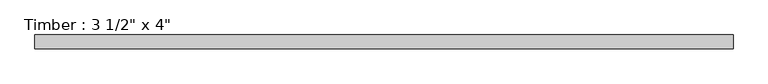
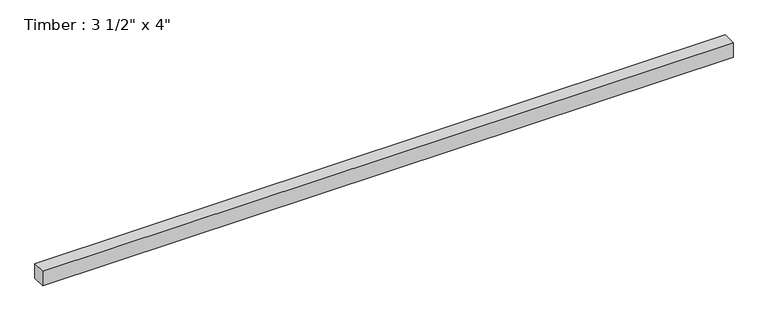
"""IFC4 building model written with IfcOpenShell, lengths in millimetres: beam geometry."""

from ifc_helpers import new_model, si_unit, frame, origin, place, context, project, spatial, polyline, outline, extrude, source, transform, mapped, element, save


def beam_8249e96e(model_context):
    return source(origin(), model_context, "Body", "SweptSolid", [
        extrude(outline(polyline([(2262.4882117, -44.45), (-2262.4882117, -44.45), (-2262.4882117, 44.45), (2262.4882117, 44.45), (2262.4882117, -44.45)])), frame((0.0, 0.0, -50.8), z_axis=(0.0, 0.0, 1.0), x_axis=(1.0, 0.0, 0.0)), (0.0, 0.0, 1.0), 101.6),
    ])


if __name__ == "__main__":
    model = new_model("IFC4")
    model_context = context("Model", 3, world=origin())
    ifc_project = project(units=[si_unit("LENGTHUNIT", "METRE", prefix="MILLI")], contexts=[model_context])
    site = spatial("IfcSite", under=ifc_project)
    building = spatial("IfcBuilding", under=site)
    placement = place(None, origin())
    beam_shape = beam_8249e96e(model_context)
    element("IfcBeam", 1, ObjectType="Timber : 3 1/2\" x 4\"", at=placement, inside=building, context=model_context, shape_type="MappedRepresentation", body=[
        mapped(beam_shape, transform((0.0, 0.0, 0.0), x_axis=(1.0, 0.0, 0.0), y_axis=(0.0, 1.0, 0.0), z_axis=(0.0, 0.0, 1.0))),
    ])
    save(model, "model.ifc")
